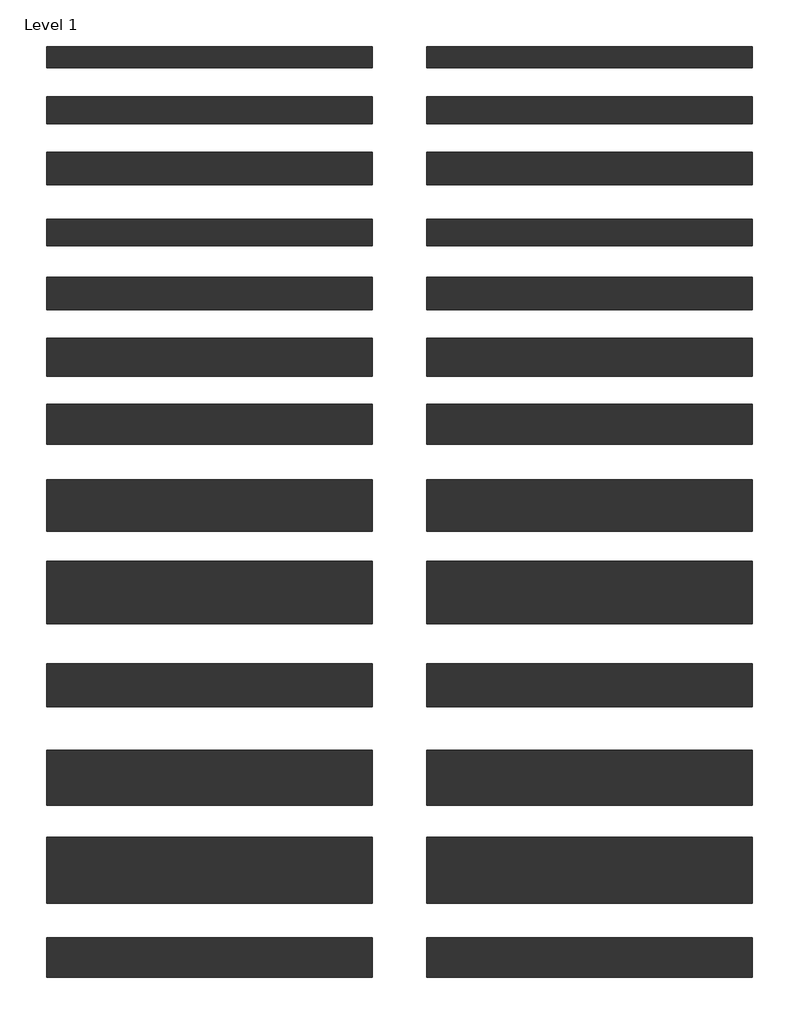
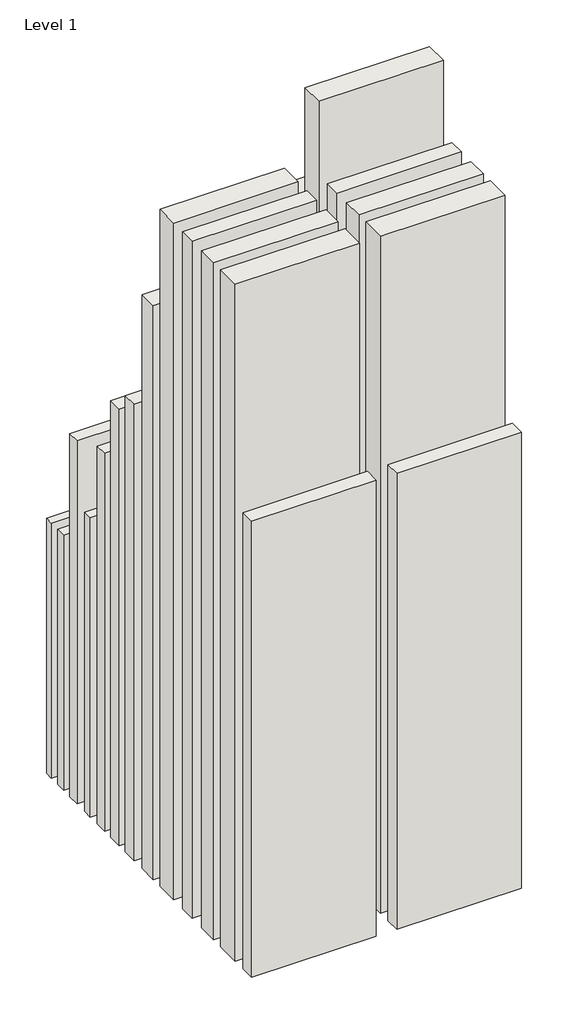
# One storey: 26 walls.
"""IFC4 building model written with IfcOpenShell, lengths in millimetres."""

from ifc_helpers import new_model, si_unit, origin, origin_with_axes, place, context, project, spatial, polyline, outline, extrude, element, save

model = new_model("IFC4")

# Units and contexts
model_context = context("Model", 3, world=origin())
ifc_project = project(units=[si_unit("LENGTHUNIT", "METRE", prefix="MILLI")], contexts=[model_context])

# Site, building, storey
site = spatial("IfcSite", under=ifc_project)
building = spatial("IfcBuilding", under=site)
storey = spatial("IfcBuildingStorey", under=building, Name="Level 1", Elevation=0.0)

# Walls
placement = place(None, origin())
element("IfcWall", 1, at=placement, inside=storey, context=model_context, shape_type="SweptSolid", body=[
    extrude(outline(polyline([(-10257.0854959, -1991.0445576), (-11457.0854959, -1991.0445576), (-11457.0854959, -1913.0445576), (-10257.0854959, -1913.0445576), (-10257.0854959, -1991.0445576)])), origin_with_axes(), (0.0, 0.0, 1.0), 2600.0),
])
element("IfcWall", 2, at=placement, inside=storey, context=model_context, shape_type="SweptSolid", body=[
    extrude(outline(polyline([(-8857.0854959, -1991.0445576), (-10057.0854959, -1991.0445576), (-10057.0854959, -1913.0445576), (-8857.0854959, -1913.0445576), (-8857.0854959, -1991.0445576)])), origin_with_axes(), (0.0, 0.0, 1.0), 2600.0),
])
element("IfcWall", 3, at=placement, inside=storey, context=model_context, shape_type="SweptSolid", body=[
    extrude(outline(polyline([(-10257.0854959, -2197.5442564), (-11457.0854959, -2197.5442564), (-11457.0854959, -2097.5442564), (-10257.0854959, -2097.5442564), (-10257.0854959, -2197.5442564)])), origin_with_axes(), (0.0, 0.0, 1.0), 2600.0),
])
element("IfcWall", 4, at=placement, inside=storey, context=model_context, shape_type="SweptSolid", body=[
    extrude(outline(polyline([(-8857.0854959, -2197.5442564), (-10057.0854959, -2197.5442564), (-10057.0854959, -2097.5442564), (-8857.0854959, -2097.5442564), (-8857.0854959, -2197.5442564)])), origin_with_axes(), (0.0, 0.0, 1.0), 2600.0),
])
element("IfcWall", 5, at=placement, inside=storey, context=model_context, shape_type="SweptSolid", body=[
    extrude(outline(polyline([(-10257.0854959, -2422.5442564), (-11457.0854959, -2422.5442564), (-11457.0854959, -2302.5442564), (-10257.0854959, -2302.5442564), (-10257.0854959, -2422.5442564)])), origin_with_axes(), (0.0, 0.0, 1.0), 3700.0),
])
element("IfcWall", 6, at=placement, inside=storey, context=model_context, shape_type="SweptSolid", body=[
    extrude(outline(polyline([(-8857.0854959, -2422.5442564), (-10057.0854959, -2422.5442564), (-10057.0854959, -2302.5442564), (-8857.0854959, -2302.5442564), (-8857.0854959, -2422.5442564)])), origin_with_axes(), (0.0, 0.0, 1.0), 4100.0),
])
element("IfcWall", 7, at=placement, inside=storey, context=model_context, shape_type="SweptSolid", body=[
    extrude(outline(polyline([(-10257.0854959, -2646.5442564), (-11457.0854959, -2646.5442564), (-11457.0854959, -2548.5442564), (-10257.0854959, -2548.5442564), (-10257.0854959, -2646.5442564)])), origin_with_axes(), (0.0, 0.0, 1.0), 3050.0),
])
element("IfcWall", 8, at=placement, inside=storey, context=model_context, shape_type="SweptSolid", body=[
    extrude(outline(polyline([(-8857.0854959, -2646.5442564), (-10057.0854959, -2646.5442564), (-10057.0854959, -2548.5442564), (-8857.0854959, -2548.5442564), (-8857.0854959, -2646.5442564)])), origin_with_axes(), (0.0, 0.0, 1.0), 3350.0),
])
element("IfcWall", 9, at=placement, inside=storey, context=model_context, shape_type="SweptSolid", body=[
    extrude(outline(polyline([(-10257.0854959, -2882.5442564), (-11457.0854959, -2882.5442564), (-11457.0854959, -2762.5442564), (-10257.0854959, -2762.5442564), (-10257.0854959, -2882.5442564)])), origin_with_axes(), (0.0, 0.0, 1.0), 3850.0),
])
element("IfcWall", 10, at=placement, inside=storey, context=model_context, shape_type="SweptSolid", body=[
    extrude(outline(polyline([(-8857.0854959, -2882.5442564), (-10057.0854959, -2882.5442564), (-10057.0854959, -2762.5442564), (-8857.0854959, -2762.5442564), (-8857.0854959, -2882.5442564)])), origin_with_axes(), (0.0, 0.0, 1.0), 4250.0),
])
element("IfcWall", 11, at=placement, inside=storey, context=model_context, shape_type="SweptSolid", body=[
    extrude(outline(polyline([(-10257.0854959, -3128.5442564), (-11457.0854959, -3128.5442564), (-11457.0854959, -2988.5442564), (-10257.0854959, -2988.5442564), (-10257.0854959, -3128.5442564)])), origin_with_axes(), (0.0, 0.0, 1.0), 4450.0),
])
element("IfcWall", 12, at=placement, inside=storey, context=model_context, shape_type="SweptSolid", body=[
    extrude(outline(polyline([(-8857.0854959, -3128.5442564), (-10057.0854959, -3128.5442564), (-10057.0854959, -2988.5442564), (-8857.0854959, -2988.5442564), (-8857.0854959, -3128.5442564)])), origin_with_axes(), (0.0, 0.0, 1.0), 4950.0),
])
element("IfcWall", 13, at=placement, inside=storey, context=model_context, shape_type="SweptSolid", body=[
    extrude(outline(polyline([(-10257.0854959, -3377.5442564), (-11457.0854959, -3377.5442564), (-11457.0854959, -3231.5442564), (-10257.0854959, -3231.5442564), (-10257.0854959, -3377.5442564)])), origin_with_axes(), (0.0, 0.0, 1.0), 4650.0),
])
element("IfcWall", 14, at=placement, inside=storey, context=model_context, shape_type="SweptSolid", body=[
    extrude(outline(polyline([(-8857.0854959, -3377.5442564), (-10057.0854959, -3377.5442564), (-10057.0854959, -3231.5442564), (-8857.0854959, -3231.5442564), (-8857.0854959, -3377.5442564)])), origin_with_axes(), (0.0, 0.0, 1.0), 5150.0),
])
element("IfcWall", 15, at=placement, inside=storey, context=model_context, shape_type="SweptSolid", body=[
    extrude(outline(polyline([(-10257.0854959, -3698.5442564), (-11457.0854959, -3698.5442564), (-11457.0854959, -3508.5442564), (-10257.0854959, -3508.5442564), (-10257.0854959, -3698.5442564)])), origin_with_axes(), (0.0, 0.0, 1.0), 5850.0),
])
element("IfcWall", 16, at=placement, inside=storey, context=model_context, shape_type="SweptSolid", body=[
    extrude(outline(polyline([(-8857.0854959, -3698.5442564), (-10057.0854959, -3698.5442564), (-10057.0854959, -3508.5442564), (-8857.0854959, -3508.5442564), (-8857.0854959, -3698.5442564)])), origin_with_axes(), (0.0, 0.0, 1.0), 6500.0),
])
element("IfcWall", 17, at=placement, inside=storey, context=model_context, shape_type="SweptSolid", body=[
    extrude(outline(polyline([(-10257.0854959, -4039.5442564), (-11457.0854959, -4039.5442564), (-11457.0854959, -3809.5442564), (-10257.0854959, -3809.5442564), (-10257.0854959, -4039.5442564)])), origin_with_axes(), (0.0, 0.0, 1.0), 6900.0),
])
element("IfcWall", 18, at=placement, inside=storey, context=model_context, shape_type="SweptSolid", body=[
    extrude(outline(polyline([(-8857.0854959, -4039.5442564), (-10057.0854959, -4039.5442564), (-10057.0854959, -3809.5442564), (-8857.0854959, -3809.5442564), (-8857.0854959, -4039.5442564)])), origin_with_axes(), (0.0, 0.0, 1.0), 7650.0),
])
element("IfcWall", 19, at=placement, inside=storey, context=model_context, shape_type="SweptSolid", body=[
    extrude(outline(polyline([(-10257.0854959, -4344.7942564), (-11457.0854959, -4344.7942564), (-11457.0854959, -4186.2942564), (-10257.0854959, -4186.2942564), (-10257.0854959, -4344.7942564)])), origin_with_axes(), (0.0, 0.0, 1.0), 6900.0),
])
element("IfcWall", 20, at=placement, inside=storey, context=model_context, shape_type="SweptSolid", body=[
    extrude(outline(polyline([(-8857.0854959, -4344.7942564), (-10057.0854959, -4344.7942564), (-10057.0854959, -4186.2942564), (-8857.0854959, -4186.2942564), (-8857.0854959, -4344.7942564)])), origin_with_axes(), (0.0, 0.0, 1.0), 6900.0),
])
element("IfcWall", 21, at=placement, inside=storey, context=model_context, shape_type="SweptSolid", body=[
    extrude(outline(polyline([(-10257.0854959, -4707.7942564), (-11457.0854959, -4707.7942564), (-11457.0854959, -4505.2942564), (-10257.0854959, -4505.2942564), (-10257.0854959, -4707.7942564)])), origin_with_axes(), (0.0, 0.0, 1.0), 6900.0),
])
element("IfcWall", 22, at=placement, inside=storey, context=model_context, shape_type="SweptSolid", body=[
    extrude(outline(polyline([(-8857.0854959, -4707.7942564), (-10057.0854959, -4707.7942564), (-10057.0854959, -4505.2942564), (-8857.0854959, -4505.2942564), (-8857.0854959, -4707.7942564)])), origin_with_axes(), (0.0, 0.0, 1.0), 6900.0),
])
element("IfcWall", 23, at=placement, inside=storey, context=model_context, shape_type="SweptSolid", body=[
    extrude(outline(polyline([(-10257.0854959, -5068.7942564), (-11457.0854959, -5068.7942564), (-11457.0854959, -4826.2942564), (-10257.0854959, -4826.2942564), (-10257.0854959, -5068.7942564)])), origin_with_axes(), (0.0, 0.0, 1.0), 6900.0),
])
element("IfcWall", 24, at=placement, inside=storey, context=model_context, shape_type="SweptSolid", body=[
    extrude(outline(polyline([(-8857.0854959, -5068.7942564), (-10057.0854959, -5068.7942564), (-10057.0854959, -4826.2942564), (-8857.0854959, -4826.2942564), (-8857.0854959, -5068.7942564)])), origin_with_axes(), (0.0, 0.0, 1.0), 6900.0),
])
element("IfcWall", 25, at=placement, inside=storey, context=model_context, shape_type="SweptSolid", body=[
    extrude(outline(polyline([(-10257.0854959, -5342.5442564), (-11457.0854959, -5342.5442564), (-11457.0854959, -5196.5442564), (-10257.0854959, -5196.5442564), (-10257.0854959, -5342.5442564)])), origin_with_axes(), (0.0, 0.0, 1.0), 4650.0),
])
element("IfcWall", 26, at=placement, inside=storey, context=model_context, shape_type="SweptSolid", body=[
    extrude(outline(polyline([(-8857.0854959, -5342.5442564), (-10057.0854959, -5342.5442564), (-10057.0854959, -5196.5442564), (-8857.0854959, -5196.5442564), (-8857.0854959, -5342.5442564)])), origin_with_axes(), (0.0, 0.0, 1.0), 4650.0),
])

save(model, "model.ifc")
